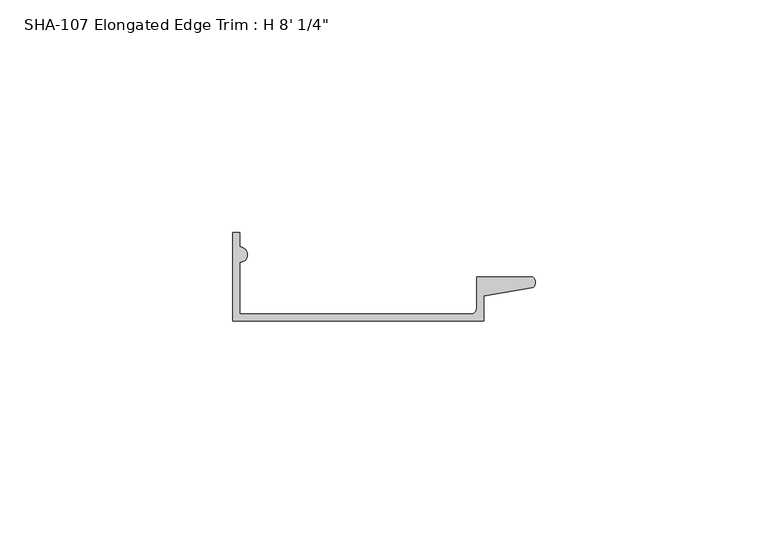
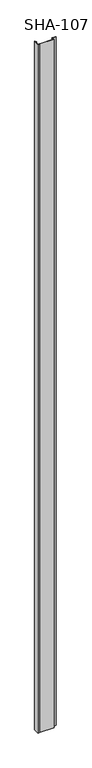
"""IFC4 building model written with IfcOpenShell, lengths in millimetres: proxy geometry."""

from ifc_helpers import new_model, si_unit, point, frame_2d, origin, origin_with_axes, place, context, project, spatial, polyline, circle_curve, trimmed, segment, composite_curve, outline, extrude, source, transform, mapped, element, save


def proxy_2a8cdd10(model_context):
    return source(origin(), model_context, "Body", "SweptSolid", [
        extrude(outline(composite_curve([segment(trimmed(circle_curve(frame_2d((51.1493937, -16.3036238)), 1.2260608), [point((51.1493937, -17.5296846))], [point((52.3754545, -16.3036238))], True, "CARTESIAN"), True, "CONTINUOUS"), segment(polyline([(52.3754545, -16.3036238), (52.3754545, -9.525), (64.4602576, -9.525)]), True, "CONTINUOUS"), segment(trimmed(circle_curve(frame_2d((63.3694999, -10.7176765)), 1.6162393), [point((64.4602576, -9.525))], [point((64.5263414, -11.8463692))], False, "CARTESIAN"), True, "CONTINUOUS"), segment(polyline([(64.5263414, -11.8463692), (53.8957699, -13.6666726), (53.8957699, -19.05), (7.5462543, -19.05), (0.0, -19.05), (0.0, 0.0), (1.5203154, 0.0), (1.5203154, -3.1078154)]), True, "CONTINUOUS"), segment(trimmed(circle_curve(frame_2d((1.5203154, -4.7625)), 1.6546846), [point((1.5203154, -3.1078154))], [point((1.5203154, -6.4171846))], False, "CARTESIAN"), True, "CONTINUOUS"), segment(polyline([(1.5203154, -6.4171846), (1.5203154, -17.5296846), (7.5462543, -17.5296846), (51.1493937, -17.5296846)]), True, "CONTINUOUS")], self_intersect=False)), origin_with_axes(), (0.0, 0.0, 1.0), 2444.75),
    ])


if __name__ == "__main__":
    model = new_model("IFC4")
    model_context = context("Model", 3, world=origin())
    ifc_project = project(units=[si_unit("LENGTHUNIT", "METRE", prefix="MILLI")], contexts=[model_context])
    site = spatial("IfcSite", under=ifc_project)
    building = spatial("IfcBuilding", under=site)
    placement = place(None, origin())
    proxy_shape = proxy_2a8cdd10(model_context)
    element("IfcBuildingElementProxy", 1, Name="SHA-107 Elongated Edge Trim : H 8' 1/4\"", ObjectType="SHA-107 Elongated Edge Trim : H 8' 1/4\"", at=placement, inside=building, context=model_context, shape_type="MappedRepresentation", body=[
        mapped(proxy_shape, transform((0.0, 0.0, 0.0), x_axis=(1.0, 0.0, 0.0), y_axis=(0.0, 1.0, 0.0), z_axis=(0.0, 0.0, 1.0))),
    ])
    save(model, "model.ifc")
